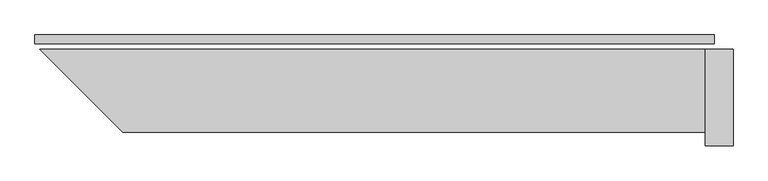
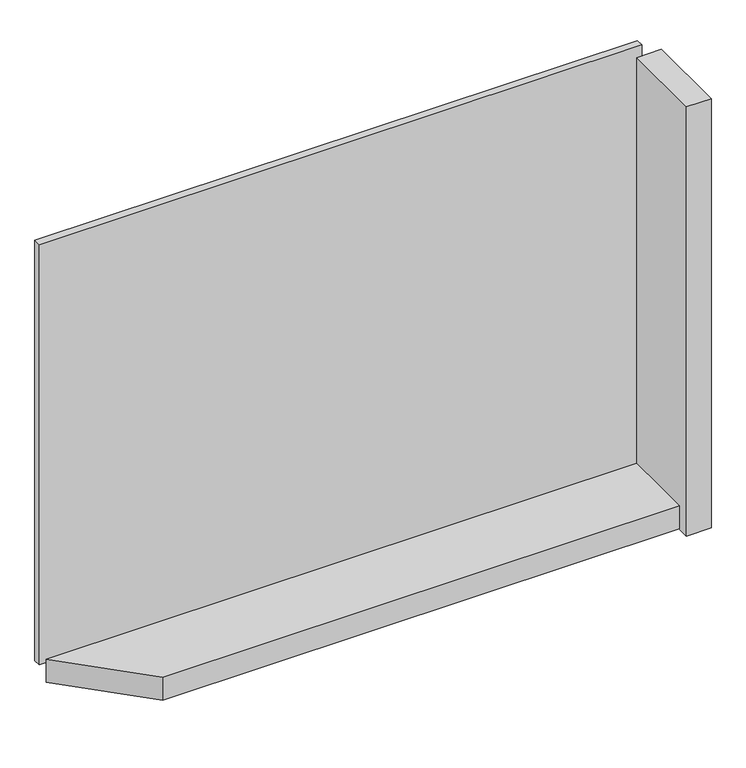
"""IFC4 building model written with IfcOpenShell, lengths in millimetres: plate geometry."""

from ifc_helpers import new_model, si_unit, frame, origin, origin_with_axes, place, context, project, spatial, polyline, outline, extrude, source, transform, mapped, element, save


def plate_b4a80b18(model_context):
    return source(origin(), model_context, "Body", "SweptSolid", [
        extrude(outline(polyline([(981.5, 0.0), (981.5, -25.0), (-981.5, -25.0), (-981.5, 0.0), (981.5, 0.0)])), origin_with_axes(), (0.0, 0.0, 1.0), 1447.534293),
        extrude(outline(polyline([(956.5, -281.0), (-727.9314575, -281.0), (-967.9314575, -41.0), (956.5, -41.0), (956.5, -281.0)])), frame((0.0, 0.0, -55.0), z_axis=(0.0, 0.0, 1.0), x_axis=(1.0, 0.0, 0.0)), (0.0, 0.0, 1.0), 80.0),
        extrude(outline(polyline([(1036.5, -41.0), (1036.5, -321.0), (956.5, -321.0), (956.5, -41.0), (1036.5, -41.0)])), frame((0.0, 0.0, -55.0), z_axis=(0.0, 0.0, 1.0), x_axis=(1.0, 0.0, 0.0)), (0.0, 0.0, 1.0), 1477.534293),
    ])


if __name__ == "__main__":
    model = new_model("IFC4")
    model_context = context("Model", 3, world=origin())
    ifc_project = project(units=[si_unit("LENGTHUNIT", "METRE", prefix="MILLI")], contexts=[model_context])
    site = spatial("IfcSite", under=ifc_project)
    building = spatial("IfcBuilding", under=site)
    placement = place(None, origin())
    plate_shape = plate_b4a80b18(model_context)
    element("IfcPlate", 1, at=placement, inside=building, context=model_context, shape_type="MappedRepresentation", body=[
        mapped(plate_shape, transform((0.0, 0.0, 0.0), x_axis=(1.0, 0.0, 0.0), y_axis=(0.0, 1.0, 0.0), z_axis=(0.0, 0.0, 1.0))),
    ])
    save(model, "model.ifc")
